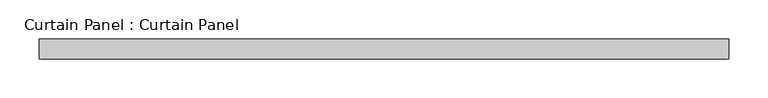
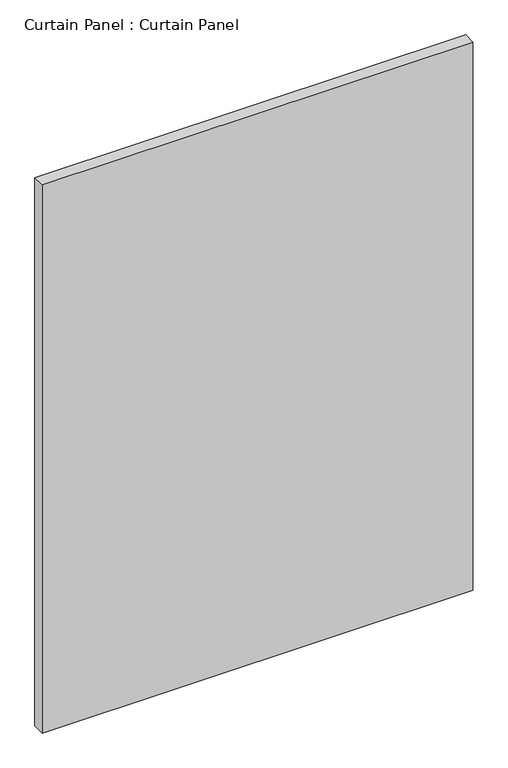
"""IFC4 building model written with IfcOpenShell, lengths in millimetres: plate geometry, Curtain Panel : Curtain Panel."""

from ifc_helpers import new_model, si_unit, frame, origin, place, context, project, spatial, polyline, outline, extrude, source, transform, mapped, element, save


def curtain_panel_curtain_panel_61c05aeb(model_context):
    return source(origin(), model_context, "Body", "SweptSolid", [
        extrude(outline(polyline([(-175823.5628689, 4757.6387985), (-176703.0378689, 4757.6387985), (-176703.0378689, 4783.0387985), (-175823.5628689, 4783.0387985), (-175823.5628689, 4757.6387985)])), frame((0.0, 0.0, 1236.6625), z_axis=(0.0, 0.0, 1.0), x_axis=(1.0, 0.0, 0.0)), (0.0, 0.0, 1.0), 1184.275),
    ])


if __name__ == "__main__":
    model = new_model("IFC4")
    model_context = context("Model", 3, world=origin())
    ifc_project = project(units=[si_unit("LENGTHUNIT", "METRE", prefix="MILLI")], contexts=[model_context])
    site = spatial("IfcSite", under=ifc_project)
    building = spatial("IfcBuilding", under=site)
    placement = place(None, origin())
    curtain_panel_curtain_panel_shape = curtain_panel_curtain_panel_61c05aeb(model_context)
    element("IfcPlate", 1, ObjectType="Curtain Panel : Curtain Panel", at=placement, inside=building, context=model_context, shape_type="MappedRepresentation", body=[
        mapped(curtain_panel_curtain_panel_shape, transform((0.0, 0.0, 0.0), x_axis=(1.0, 0.0, 0.0), y_axis=(0.0, 1.0, 0.0), z_axis=(0.0, 0.0, 1.0))),
    ])
    save(model, "model.ifc")
